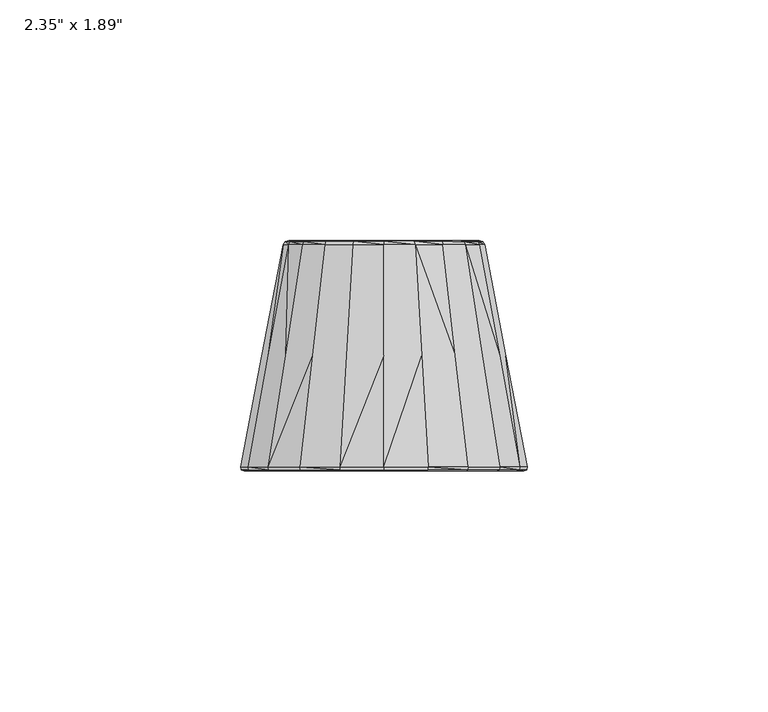
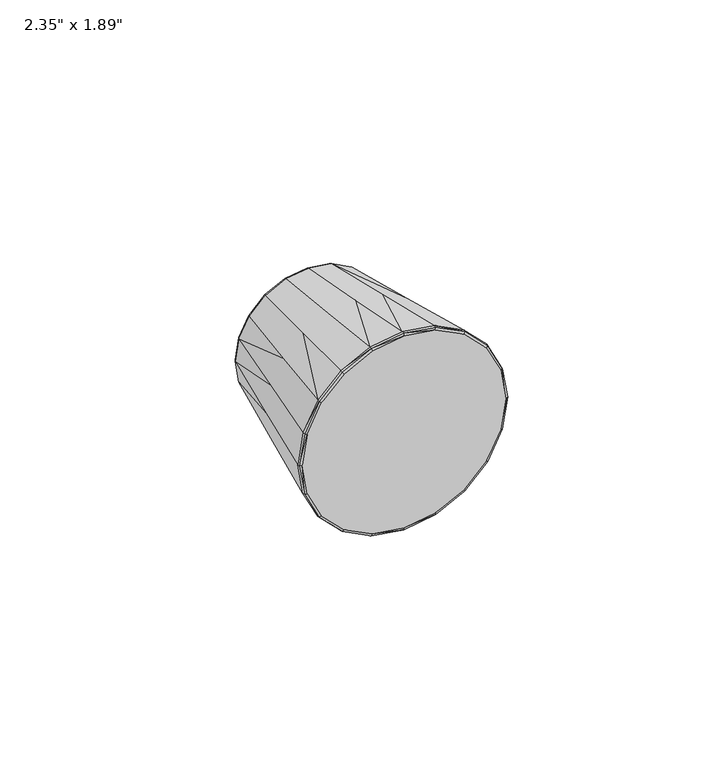
"""IFC4 building model written with IfcOpenShell, lengths in millimetres: furniture geometry."""

from ifc_helpers import new_model, si_unit, origin, place, context, project, spatial, triangles, source, transform, mapped, element, save


def furniture_90c50ad2(model_context):
    return source(origin(), model_context, "Body", "Tessellation", [
        triangles([(0.0062592, 23.9999999, 49.574772), (5.4937343, 23.9999999, 46.6747673), (0.0062592, 23.9999999, 47.474773), (6.0937346, 23.9999999, 48.6747679), (6.3937345, 23.8000008, 49.3747706), (12.0686924, 23.8000008, 46.4747704), (6.493734, 23.1000003, 49.7747689), (12.2686927, 23.1000003, 46.7747703), (0.0062593, 23.1000003, 50.7622495), (7.8812146, 0.0, 53.9622449), (-17.5436455, -23.1000026, 53.9622449), (-9.1686928, -23.1000003, 58.1497255), (-7.8686944, 0.0, 53.9622449), (-17.4436459, -23.800003, 53.8622419), (-9.1686928, -23.8000008, 58.0497225), (-17.0436465, -24.0000022, 53.3622452), (-8.9686931, -23.9999999, 57.4497228), (17.0561707, -23.9999976, 53.3622452), (17.4561701, -23.7999985, 53.8622419), (9.1812153, -23.8000008, 58.0497225), (8.9812156, -23.9999999, 57.4497228), (17.5561697, -23.0999981, 53.9622449), (9.1812153, -23.1000003, 58.1497255), (0.0062606, 0.0, 55.1497269), (0.0062619, -23.1000003, 59.6497248), (0.0062619, -23.8000008, 59.5497263), (0.0062619, -23.9999999, 58.8497236), (-9.1686928, -23.1000003, 1.5), (-9.1686928, -23.8000008, 1.6), (-17.4436459, -23.800003, 5.7874772), (0.0062619, -23.1000003, 0.0), (-17.5436455, -23.1000026, 5.687477), (-14.9561706, 0.0, 9.2749539), (-7.8686944, 0.0, 5.687477), (-8.9686931, -23.9999999, 2.2), (-17.0436465, -24.0000022, 6.2874768), (0.0062619, -23.8000008, 0.1), (0.0062619, -23.9999999, 0.8), (8.9812156, -23.9999999, 2.2), (0.0062619, -23.9999999, 29.8248624), (-23.5311218, -24.0000022, 12.7749538), (9.1812153, -23.1000003, 1.5), (9.1812153, -23.8000008, 1.6), (0.0062606, 0.0, 4.4), (17.4561701, -23.7999985, 5.7874772), (17.0561707, -23.9999976, 6.2874768), (23.543646, -23.9999976, 12.7749538), (17.5561697, -23.0999981, 5.687477), (7.8812146, 0.0, 5.687477), (0.0062593, 23.1000003, 8.887477), (6.493734, 23.1000003, 9.8749537), (-24.1311238, -23.1000026, 12.2749548), (-20.5436475, -1.1e-06, 14.8624308), (-24.0311231, -23.800003, 12.3749544), (24.043645, -23.7999985, 12.3749544), (24.1436458, -23.0999981, 12.2749548), (14.8686929, 0.0, 9.2749539), (-6.4812183, 23.1000003, 9.8749537), (12.2686927, 23.1000003, 12.8749545), (0.0062593, 23.8000008, 9.2749539), (6.3937345, 23.8000008, 10.2749542), (-28.2186014, -23.800003, 20.6499092), (-28.3185999, -23.1000026, 20.6499092), (-24.1311238, -1.3e-06, 21.949907), (-27.6185994, -24.0000022, 20.8499083), (-29.0186003, -24.0000022, 29.8248624), (28.2311256, -23.7999985, 20.6499092), (27.6311237, -23.9999976, 20.8499083), (29.0311245, -23.9999976, 29.8248624), (28.3311241, -23.0999981, 20.6499092), (20.5561694, 1.1e-06, 14.8624308), (-12.3561714, 23.1000003, 12.8749545), (-5.4812169, 4.4999993, 12.9749541), (0.0062603, 4.4999998, 12.1749541), (0.0062592, 23.9999999, 12.1749541), (-5.4812181, 23.9999999, 12.9749541), (-10.368694, 4.4999993, 15.5624313), (5.4937355, 4.5000004, 12.9749541), (-14.2561713, 4.499999, 19.4499075), (0.0062603, 4.4999998, 29.8248624), (5.4937343, 23.9999999, 12.9749541), (10.3812148, 4.5000004, 15.5624313), (10.3812136, 23.9999999, 15.5624313), (14.2686932, 4.5000007, 19.4499075), (16.9561677, 23.1000026, 17.46243), (-12.0561716, 23.8000008, 13.1749544), (-6.3812176, 23.8000008, 10.2749542), (-16.9436503, 23.0999981, 17.46243), (-6.0812178, 23.9999999, 10.9749535), (-11.6561722, 23.9999999, 13.762431), (-16.6436493, 23.8000008, 17.7624298), (0.0062592, 23.9999999, 9.9749532), (-10.3686951, 23.9999999, 15.5624313), (6.0937346, 23.9999999, 10.9749535), (11.6686918, 23.9999999, 13.762431), (12.0686924, 23.8000008, 13.1749544), (16.0686912, 23.9999999, 18.1624315), (16.6561679, 23.8000008, 17.7624298), (14.2686921, 23.9999999, 19.4499075), (19.9561652, 23.1000026, 23.3373837), (24.1436435, 1.3e-06, 21.949907), (-19.94365, 23.0999981, 23.3373837), (-16.0561727, 23.9999999, 18.1624315), (-19.5436495, 23.7999985, 23.4373844), (-14.2561724, 23.9999999, 19.4499075), (-18.843649, 23.9999976, 23.7373865), (-16.8436508, 23.9999976, 24.3373839), (18.8561664, 24.0000022, 23.7373865), (19.5561669, 23.800003, 23.4373844), (-29.7186007, -23.800003, 29.8248624), (-29.8185991, -23.1000026, 29.8248624), (-25.418602, -1.4e-06, 29.8248624), (29.7311249, -23.7999985, 29.8248624), (29.8311234, -23.0999981, 29.8248624), (-16.8436485, 4.499999, 24.3373839), (-17.6436473, 4.499999, 29.8248624), (17.6561682, 4.5000007, 29.8248624), (16.8561693, 4.5000007, 24.3373839), (16.856167, 24.0000022, 24.3373839), (20.9436412, 23.1000026, 29.8248624), (25.3311232, 1.4e-06, 29.8248624), (17.6561659, 24.0000022, 29.8248624), (-20.9311261, 23.0999981, 29.8248624), (-20.5436497, 23.7999985, 29.8248624), (-19.8436493, 23.9999976, 29.8248624), (-17.6436496, 23.9999976, 29.8248624), (19.756166, 24.0000022, 29.8248624), (20.5561671, 23.800003, 29.8248624), (-28.3185999, -23.1000026, 38.9998179), (-24.1311238, -1.3e-06, 37.6998155), (-28.2186014, -23.800003, 38.9998179), (-27.6185994, -24.0000022, 38.7998165), (-23.5311218, -24.0000022, 46.8747687), (27.6311237, -23.9999976, 38.7998165), (23.543646, -23.9999976, 46.8747687), (28.2311256, -23.7999985, 38.9998179), (28.3311241, -23.0999981, 38.9998179), (-16.8436485, 4.499999, 35.3123363), (-14.2561713, 4.499999, 40.1998173), (-5.4812169, 4.4999993, 46.6747673), (14.2686932, 4.5000007, 40.1998173), (5.4937355, 4.5000004, 46.6747673), (16.8561693, 4.5000007, 35.3123363), (16.856167, 24.0000022, 35.3123363), (19.9561652, 23.1000026, 36.3123389), (24.1436435, 1.3e-06, 37.6998155), (-19.94365, 23.0999981, 36.3123389), (-19.5436495, 23.7999985, 36.2123359), (-18.843649, 23.9999976, 35.9123383), (-16.8436508, 23.9999976, 35.3123363), (18.8561664, 24.0000022, 35.9123383), (19.5561669, 23.800003, 36.2123359), (14.2686921, 23.9999999, 40.1998173), (-20.5436475, -1.1e-06, 44.6872932), (-16.9436503, 23.0999981, 42.087293), (-16.6436493, 23.8000008, 41.8872961), (-14.2561724, 23.9999999, 40.1998173), (-16.0561727, 23.9999999, 41.4872932), (16.0686912, 23.9999999, 41.4872932), (16.6561679, 23.8000008, 41.8872961), (16.9561677, 23.1000026, 42.087293), (-24.1311238, -23.1000026, 47.37477), (-24.0311231, -23.800003, 47.2747716), (24.043645, -23.7999985, 47.2747716), (24.1436458, -23.0999981, 47.37477), (-10.368694, 4.4999993, 44.0872935), (10.3812148, 4.5000004, 44.0872935), (10.3812136, 23.9999999, 44.0872935), (20.5561694, 1.1e-06, 44.6872932), (-10.3686951, 23.9999999, 44.0872935), (11.6686918, 23.9999999, 45.8872972), (-14.9561706, 0.0, 50.3747686), (14.8686929, 0.0, 50.3747686), (-12.3561714, 23.1000003, 46.7747703), (-12.0561716, 23.8000008, 46.4747704), (-11.6561722, 23.9999999, 45.8872972), (-6.3812176, 23.8000008, 49.3747706), (-6.0812178, 23.9999999, 48.6747679), (-5.4812181, 23.9999999, 46.6747673), (0.0062603, 4.4999998, 47.474773), (-6.4812183, 23.1000003, 49.7747689), (0.0062593, 23.8000008, 50.3747686)], [[1, 2, 3], [1, 4, 2], [1, 5, 4], [4, 5, 6], [5, 7, 8], [5, 8, 6], [7, 9, 10], [11, 12, 13], [11, 14, 15], [11, 15, 12], [14, 16, 17], [14, 17, 15], [18, 19, 20], [18, 20, 21], [19, 22, 23], [19, 23, 20], [13, 12, 24], [10, 9, 24], [10, 25, 23], [10, 24, 25], [12, 25, 24], [12, 15, 26], [12, 26, 25], [15, 17, 27], [15, 27, 26], [17, 21, 27], [26, 20, 25], [26, 27, 21], [26, 21, 20], [25, 20, 23], [28, 29, 30], [28, 31, 29], [28, 30, 32], [28, 32, 33], [28, 34, 31], [28, 33, 34], [29, 35, 36], [29, 37, 35], [29, 36, 30], [29, 31, 37], [35, 38, 39], [35, 37, 38], [35, 39, 40], [35, 41, 36], [35, 40, 41], [37, 31, 42], [37, 42, 43], [38, 37, 43], [38, 43, 39], [31, 34, 44], [31, 44, 42], [39, 43, 45], [39, 46, 47], [39, 45, 46], [39, 47, 40], [43, 42, 48], [43, 48, 45], [42, 44, 49], [42, 49, 48], [44, 34, 50], [44, 50, 51], [44, 51, 49], [32, 52, 53], [32, 53, 33], [32, 30, 54], [32, 54, 52], [30, 36, 41], [30, 41, 54], [46, 45, 55], [46, 55, 47], [45, 48, 56], [45, 56, 55], [48, 49, 57], [48, 57, 56], [34, 33, 58], [34, 58, 50], [49, 51, 59], [49, 59, 57], [50, 60, 61], [50, 61, 51], [50, 58, 60], [52, 62, 63], [52, 63, 64], [52, 54, 62], [52, 64, 53], [54, 41, 65], [54, 65, 62], [41, 66, 65], [41, 40, 66], [47, 55, 67], [47, 68, 69], [47, 67, 68], [47, 69, 40], [55, 56, 70], [55, 70, 67], [56, 57, 71], [56, 71, 70], [33, 72, 58], [33, 53, 72], [73, 74, 75], [73, 76, 77], [73, 75, 76], [73, 78, 74], [73, 77, 79], [73, 79, 80], [73, 80, 78], [74, 78, 81], [74, 81, 75], [78, 82, 83], [78, 83, 81], [78, 84, 82], [78, 80, 84], [57, 85, 71], [57, 59, 85], [72, 86, 87], [72, 87, 58], [72, 53, 88], [72, 88, 86], [86, 89, 87], [86, 90, 89], [86, 91, 90], [86, 88, 91], [58, 87, 60], [87, 89, 92], [87, 92, 60], [89, 76, 92], [89, 90, 93], [89, 93, 76], [76, 75, 92], [76, 93, 77], [92, 75, 94], [92, 94, 60], [75, 81, 94], [60, 94, 61], [81, 83, 95], [81, 95, 94], [94, 95, 61], [61, 96, 51], [61, 95, 96], [51, 96, 59], [96, 95, 97], [96, 97, 98], [96, 98, 59], [59, 98, 85], [53, 64, 88], [77, 93, 79], [82, 84, 99], [82, 99, 83], [71, 85, 100], [71, 101, 70], [71, 100, 101], [88, 64, 102], [88, 102, 91], [91, 103, 90], [91, 102, 104], [91, 104, 103], [103, 105, 90], [103, 104, 106], [103, 106, 107], [103, 107, 105], [90, 105, 93], [93, 105, 79], [83, 97, 95], [83, 99, 97], [97, 99, 108], [97, 108, 98], [98, 109, 85], [98, 108, 109], [85, 109, 100], [63, 62, 110], [63, 110, 111], [63, 111, 112], [63, 112, 64], [62, 65, 66], [62, 66, 110], [68, 67, 113], [68, 113, 69], [67, 70, 114], [67, 114, 113], [70, 101, 114], [64, 112, 102], [79, 105, 115], [79, 115, 116], [79, 116, 80], [84, 80, 117], [84, 117, 118], [84, 118, 119], [84, 119, 99], [101, 100, 120], [101, 121, 114], [101, 120, 121], [105, 107, 115], [99, 119, 108], [115, 107, 116], [118, 117, 122], [118, 122, 119], [102, 112, 123], [102, 123, 104], [104, 124, 106], [104, 123, 124], [106, 124, 125], [106, 125, 126], [106, 126, 107], [107, 126, 116], [119, 122, 127], [119, 127, 108], [108, 127, 109], [109, 127, 128], [109, 128, 100], [100, 128, 120], [111, 129, 130], [111, 130, 112], [111, 110, 131], [111, 131, 129], [110, 66, 132], [110, 132, 131], [66, 40, 133], [66, 133, 132], [40, 69, 134], [40, 134, 135], [40, 135, 21], [40, 17, 133], [40, 21, 17], [69, 113, 136], [69, 136, 134], [113, 114, 137], [113, 137, 136], [114, 121, 137], [112, 130, 123], [116, 126, 138], [116, 138, 139], [116, 139, 80], [80, 139, 140], [80, 141, 117], [80, 140, 142], [80, 142, 141], [117, 143, 144], [117, 144, 122], [117, 141, 143], [121, 120, 145], [121, 145, 146], [121, 146, 137], [123, 147, 124], [123, 130, 147], [124, 148, 125], [124, 147, 148], [125, 148, 149], [125, 149, 150], [125, 150, 126], [126, 150, 138], [122, 144, 151], [122, 151, 127], [127, 151, 128], [128, 152, 120], [128, 151, 152], [120, 152, 145], [138, 150, 139], [143, 141, 153], [143, 153, 144], [147, 130, 154], [147, 154, 155], [147, 155, 148], [148, 156, 149], [148, 155, 156], [149, 157, 150], [149, 156, 158], [149, 158, 157], [150, 157, 139], [144, 153, 159], [144, 159, 151], [151, 159, 152], [152, 159, 160], [152, 160, 145], [145, 160, 161], [145, 161, 146], [129, 154, 130], [129, 162, 154], [129, 131, 163], [129, 163, 162], [131, 132, 133], [131, 133, 163], [134, 136, 164], [134, 164, 135], [136, 137, 165], [136, 165, 164], [137, 146, 165], [139, 157, 166], [139, 166, 140], [141, 142, 167], [141, 167, 168], [141, 168, 153], [146, 169, 165], [146, 161, 169], [157, 170, 166], [157, 158, 170], [153, 168, 171], [153, 171, 159], [154, 172, 155], [154, 162, 172], [166, 170, 140], [167, 142, 2], [167, 2, 168], [169, 161, 8], [169, 173, 22], [169, 8, 173], [169, 22, 165], [155, 172, 174], [155, 174, 156], [156, 175, 158], [156, 174, 175], [158, 176, 170], [158, 175, 176], [176, 175, 177], [176, 177, 178], [176, 178, 179], [176, 179, 170], [170, 179, 140], [168, 2, 4], [168, 4, 171], [171, 160, 159], [171, 4, 6], [171, 6, 160], [160, 6, 161], [161, 6, 8], [162, 11, 172], [162, 14, 11], [162, 163, 14], [163, 133, 16], [163, 16, 14], [133, 17, 16], [135, 164, 19], [135, 18, 21], [135, 19, 18], [164, 165, 22], [164, 22, 19], [172, 11, 13], [172, 13, 174], [140, 179, 180], [140, 180, 142], [180, 179, 3], [180, 3, 142], [142, 3, 2], [173, 7, 10], [173, 8, 7], [173, 10, 23], [173, 23, 22], [174, 181, 175], [174, 13, 181], [175, 181, 177], [181, 13, 24], [181, 9, 177], [181, 24, 9], [177, 182, 178], [177, 9, 182], [178, 182, 1], [178, 1, 3], [178, 3, 179], [182, 7, 5], [182, 9, 7], [1, 182, 5]]),
    ])


if __name__ == "__main__":
    model = new_model("IFC4")
    model_context = context("Model", 3, world=origin())
    ifc_project = project(units=[si_unit("LENGTHUNIT", "METRE", prefix="MILLI")], contexts=[model_context])
    site = spatial("IfcSite", under=ifc_project)
    building = spatial("IfcBuilding", under=site)
    placement = place(None, origin())
    furniture_shape = furniture_90c50ad2(model_context)
    element("IfcFurniture", 1, ObjectType="2.35\" x 1.89\"", at=placement, inside=building, context=model_context, shape_type="MappedRepresentation", body=[
        mapped(furniture_shape, transform((0.0, 0.0, 0.0), x_axis=(1.0, 0.0, 0.0), y_axis=(0.0, 1.0, 0.0), z_axis=(0.0, 0.0, 1.0))),
    ])
    save(model, "model.ifc")
